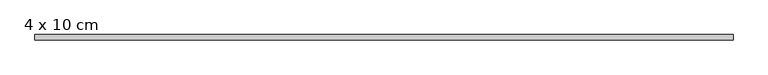
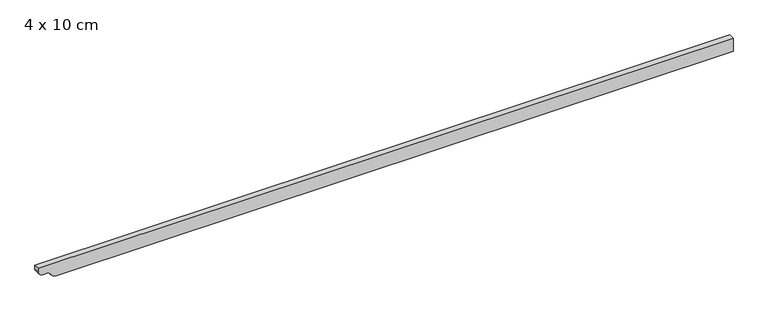
"""IFC4 building model written with IfcOpenShell, lengths in millimetres: beam geometry, 4 x 10 cm."""

import ifcopenshell
import ifcopenshell.guid

model = None  # the IFC model being written
_history = None  # IfcOwnerHistory: only IFC2X3 demands one
_inside = {}  # id of a spatial element -> (the spatial element, [elements in it])
_under = {}  # id of a project, library or spatial element -> (it, [spatial elements below it])
_declared = {}  # id of a project -> (the project, [libraries it declares])
_typed = {}  # id of a type object -> (the type object, [elements of that type])
_made_of = {}  # id of a material, layer set ... -> (it, [elements and type objects made of it])


def new_model(schema):
    """Start an empty IFC model of exactly this schema.

    Asked for "IFC4X3", IfcOpenShell would pick the latest addendum, in which some entities
    have other attributes; the version numbers below select the first issue.
    IFC2X3 requires an IfcOwnerHistory on every rooted entity: one is made here for all.
    """
    global model, _history
    if schema == "IFC4X3":
        model = ifcopenshell.file(schema_version=(4, 3, 0, 0))
    else:
        model = ifcopenshell.file(schema=schema)
    _inside.clear()
    _under.clear()
    _declared.clear()
    _typed.clear()
    _made_of.clear()
    _history = None
    if model.schema == "IFC2X3":
        org = make("IfcOrganization", Name="unknown")
        user = make(
            "IfcPersonAndOrganization",
            ThePerson=make("IfcPerson", FamilyName="unknown"),
            TheOrganization=org,
        )
        app = make(
            "IfcApplication",
            ApplicationDeveloper=org,
            Version="unknown",
            ApplicationFullName="unknown",
            ApplicationIdentifier="unknown",
        )
        _history = make(
            "IfcOwnerHistory",
            OwningUser=user,
            OwningApplication=app,
            ChangeAction="ADDED",
            CreationDate=0,
        )
    return model


def make(cls, **values):
    """One entity of the class cls with the attributes given. An attribute that is None is left unset."""
    return model.create_entity(
        cls, **{name: value for name, value in values.items() if value is not None}
    )


def rooted(cls, **values):
    """An entity with a GlobalId (a new one), such as an element, a storey or a relation."""
    return make(cls, GlobalId=ifcopenshell.guid.new(), OwnerHistory=_history, **values)


def si_unit(unit_type, name, prefix=None):
    """IfcSIUnit, for example si_unit("LENGTHUNIT", "METRE", prefix="MILLI")."""
    return make("IfcSIUnit", UnitType=unit_type, Prefix=prefix, Name=name)


def assignment(units):
    """IfcUnitAssignment: the units of a project."""
    return None if units is None else make("IfcUnitAssignment", Units=units)


def point(xyz):
    """IfcCartesianPoint."""
    return None if xyz is None else make("IfcCartesianPoint", Coordinates=xyz)


def direction(xyz):
    """IfcDirection."""
    return None if xyz is None else make("IfcDirection", DirectionRatios=xyz)


def frame(location, z_axis=None, x_axis=None):
    """IfcAxis2Placement3D, a coordinate frame: its origin and axes. An axis left out is left unset."""
    return make(
        "IfcAxis2Placement3D",
        Location=point(location),
        Axis=direction(z_axis),
        RefDirection=direction(x_axis),
    )


def frame_2d(location, x_axis=None):
    """IfcAxis2Placement2D, a coordinate frame in the plane: its origin and x axis."""
    return make(
        "IfcAxis2Placement2D", Location=point(location), RefDirection=direction(x_axis)
    )


def origin():
    """The frame at (0, 0, 0) with its axes left unset."""
    return frame((0.0, 0.0, 0.0))


def place(relative_to, where):
    """IfcLocalPlacement: puts the frame where relative to a parent placement (None: the world)."""
    return make(
        "IfcLocalPlacement", PlacementRelTo=relative_to, RelativePlacement=where
    )


def context(
    kind, dimensions, precision=None, world=None, true_north=None, identifier=None
):
    """IfcGeometricRepresentationContext, for example the 3D "Model" context."""
    return make(
        "IfcGeometricRepresentationContext",
        ContextIdentifier=identifier,
        ContextType=kind,
        CoordinateSpaceDimension=dimensions,
        Precision=precision,
        WorldCoordinateSystem=world,
        TrueNorth=true_north,
    )


def project(units=None, contexts=None):
    """IfcProject with its units and contexts."""
    return rooted(
        "IfcProject",
        Name="project",
        RepresentationContexts=contexts,
        UnitsInContext=assignment(units),
    )


def spatial(cls, under=None, at=None, **own):
    """A site, building, storey or space (cls), placed at a placement, below another one or the project."""
    s = rooted(cls, ObjectPlacement=at, **own)
    if under is not None:
        _under.setdefault(under.id(), (under, []))[1].append(s)
    return s


def polyline(points):
    """IfcPolyline through the points."""
    return make("IfcPolyline", Points=[point(p) for p in points])


def circle_curve(where, radius):
    """IfcCircle in the frame where."""
    return make("IfcCircle", Position=where, Radius=radius)


def trimmed(basis, trim1, trim2, sense, master):
    """IfcTrimmedCurve: the piece of a basis curve between two trims."""
    return make(
        "IfcTrimmedCurve",
        BasisCurve=basis,
        Trim1=trim1,
        Trim2=trim2,
        SenseAgreement=sense,
        MasterRepresentation=master,
    )


def segment(curve, same_sense, transition):
    """IfcCompositeCurveSegment."""
    return make(
        "IfcCompositeCurveSegment",
        Transition=transition,
        SameSense=same_sense,
        ParentCurve=curve,
    )


def composite_curve(segments, self_intersect=None):
    """IfcCompositeCurve: segments joined end to end."""
    return make("IfcCompositeCurve", Segments=segments, SelfIntersect=self_intersect)


def outline(outer, holes=None, kind="AREA"):
    """IfcArbitraryClosedProfileDef: a profile drawn as a closed curve; with holes, ...WithVoids."""
    if holes is None:
        return make("IfcArbitraryClosedProfileDef", ProfileType=kind, OuterCurve=outer)
    return make(
        "IfcArbitraryProfileDefWithVoids",
        ProfileType=kind,
        OuterCurve=outer,
        InnerCurves=holes,
    )


def extrude(swept, where, along, depth):
    """IfcExtrudedAreaSolid: the profile swept, set in the frame where, extruded along a direction by depth."""
    return make(
        "IfcExtrudedAreaSolid",
        SweptArea=swept,
        Position=where,
        ExtrudedDirection=direction(along),
        Depth=depth,
    )


def shape(context_of_items, identifier, shape_type, items):
    """IfcShapeRepresentation: the items that make up one representation, for example the "Body"."""
    return make(
        "IfcShapeRepresentation",
        ContextOfItems=context_of_items,
        RepresentationIdentifier=identifier,
        RepresentationType=shape_type,
        Items=items,
    )


def source(mapping_origin, context_of_items, identifier, shape_type, items):
    """IfcRepresentationMap: a shape defined once, which mapped items show again and again."""
    return make(
        "IfcRepresentationMap",
        MappingOrigin=mapping_origin,
        MappedRepresentation=shape(context_of_items, identifier, shape_type, items),
    )


def transform(
    local_origin,
    x_axis=None,
    y_axis=None,
    z_axis=None,
    scale=None,
    scale2=None,
    scale3=None,
    uniform=True,
):
    """IfcCartesianTransformationOperator3D, or its non-uniform kind. x_axis, y_axis, z_axis: its Axis1, 2, 3."""
    if uniform:
        return make(
            "IfcCartesianTransformationOperator3D",
            Axis1=direction(x_axis),
            Axis2=direction(y_axis),
            LocalOrigin=point(local_origin),
            Scale=scale,
            Axis3=direction(z_axis),
        )
    return make(
        "IfcCartesianTransformationOperator3DnonUniform",
        Axis1=direction(x_axis),
        Axis2=direction(y_axis),
        LocalOrigin=point(local_origin),
        Scale=scale,
        Axis3=direction(z_axis),
        Scale2=scale2,
        Scale3=scale3,
    )


def mapped(mapping_source, mapping_target):
    """IfcMappedItem: shows the shape of a source again, moved by a transform."""
    return make(
        "IfcMappedItem", MappingSource=mapping_source, MappingTarget=mapping_target
    )


def made_of(thing, what):
    """Note that an element or type object is made of a material, layer set ...; save() writes the relation."""
    if what is not None:
        _made_of.setdefault(what.id(), (what, []))[1].append(thing)
    return thing


def element(
    cls,
    number,
    at=None,
    inside=None,
    cuts=None,
    type_object=None,
    material=None,
    context=None,
    identifier="Body",
    shape_type=None,
    held_by="IfcProductDefinitionShape",
    body=None,
    shapes=None,
    **own,
):
    """One element of the class cls, such as IfcWall. Its Tag is "e" and its number.

    at: its placement. inside: the storey or other place that contains it. cuts: it is an
    opening in that element (IfcRelVoidsElement). A single representation is given by context,
    identifier, shape_type and body (its items); several are given by shapes. held_by: the class
    of the entity that holds the representations. save() writes the other relations.
    """
    e = rooted(cls, Tag="e%d" % number, ObjectPlacement=at, **own)
    if body is not None:
        shapes = [shape(context, identifier, shape_type, body)]
    if shapes is not None:
        e.Representation = make(held_by, Representations=shapes)
    if inside is not None:
        _inside.setdefault(inside.id(), (inside, []))[1].append(e)
    if cuts is not None:
        rooted(
            "IfcRelVoidsElement", RelatingBuildingElement=cuts, RelatedOpeningElement=e
        )
    if type_object is not None:
        _typed.setdefault(type_object.id(), (type_object, []))[1].append(e)
    return made_of(e, material)


def aggregate(whole, parts):
    """IfcRelAggregates: a whole, such as a stair, and the parts it consists of."""
    return rooted("IfcRelAggregates", RelatingObject=whole, RelatedObjects=parts)


def save(model, path):
    """Write the relations noted so far, then the file.

    IfcRelAggregates (storeys below a building ...), IfcRelContainedInSpatialStructure (elements
    in a storey), IfcRelDefinesByType, IfcRelAssociatesMaterial and IfcRelDeclares: one each for
    every whole, place, type object, material and project.
    """
    for whole, parts in _under.values():
        aggregate(whole, parts)
    for where, things in _inside.values():
        rooted(
            "IfcRelContainedInSpatialStructure",
            RelatedElements=things,
            RelatingStructure=where,
        )
    for kind, things in _typed.values():
        rooted("IfcRelDefinesByType", RelatedObjects=things, RelatingType=kind)
    for what, things in _made_of.values():
        rooted("IfcRelAssociatesMaterial", RelatedObjects=things, RelatingMaterial=what)
    for by, libraries in _declared.values():
        rooted("IfcRelDeclares", RelatingContext=by, RelatedDefinitions=libraries)
    model.write(path)


def beam_4_x_10_cm_c0aac5d8(model_context):
    return source(origin(), model_context, "Body", "SweptSolid", [
        extrude(outline(composite_curve([segment(polyline([(50.0, 2507.0089201), (50.0, -2546.7371661), (22.5, -2546.7371661)]), True, "CONTINUOUS"), segment(trimmed(circle_curve(frame_2d((22.5, -2514.2371661)), 32.5), [point((22.5, -2546.7371661))], [point((-10.0, -2514.2371661))], False, "CARTESIAN"), True, "CONTINUOUS"), segment(polyline([(-10.0, -2514.2371661), (-10.0, -2483.2269609)]), True, "CONTINUOUS"), segment(trimmed(circle_curve(frame_2d((-40.0, -2483.2269609)), 30.0), [point((-10.0, -2483.2269609))], [point((-34.0, -2453.833084))], True, "CARTESIAN"), True, "CONTINUOUS"), segment(trimmed(circle_curve(frame_2d((-3.1535049, -2414.4821788)), 50.0), [point((-34.0, -2453.833084))], [point((-53.1535049, -2414.4821788))], False, "CARTESIAN"), True, "CONTINUOUS"), segment(polyline([(-53.1535049, -2414.4821788), (-53.1535049, 2507.0089201), (50.0, 2507.0089201)]), True, "CONTINUOUS")], self_intersect=False)), frame((0.0, -20.0, 0.0), z_axis=(0.0, 1.0, 0.0), x_axis=(0.0, 0.0, 1.0)), (0.0, 0.0, 1.0), 40.0),
    ])


if __name__ == "__main__":
    model = new_model("IFC4")
    model_context = context("Model", 3, world=origin())
    ifc_project = project(units=[si_unit("LENGTHUNIT", "METRE", prefix="MILLI")], contexts=[model_context])
    site = spatial("IfcSite", under=ifc_project)
    building = spatial("IfcBuilding", under=site)
    placement = place(None, origin())
    beam_4_x_10_cm_shape = beam_4_x_10_cm_c0aac5d8(model_context)
    element("IfcBeam", 1, ObjectType="4 x 10 cm", at=placement, inside=building, context=model_context, shape_type="MappedRepresentation", body=[
        mapped(beam_4_x_10_cm_shape, transform((0.0, 0.0, 0.0), x_axis=(1.0, 0.0, 0.0), y_axis=(0.0, 1.0, 0.0), z_axis=(0.0, 0.0, 1.0))),
    ])
    save(model, "model.ifc")
